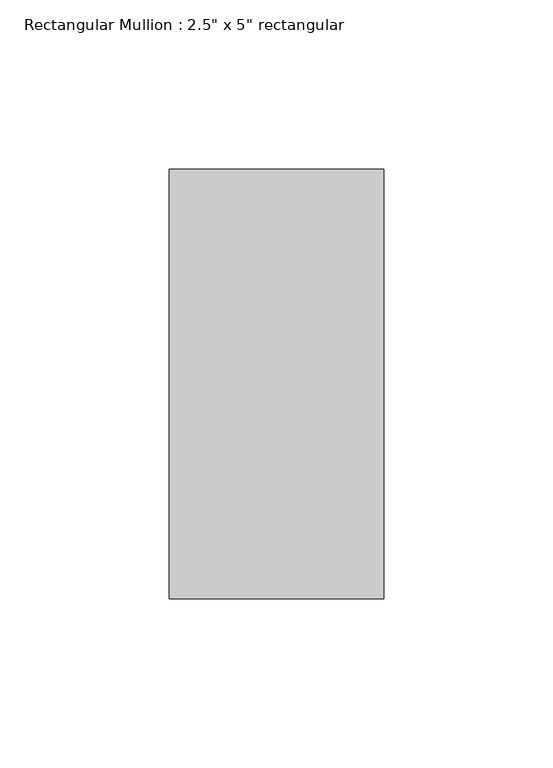
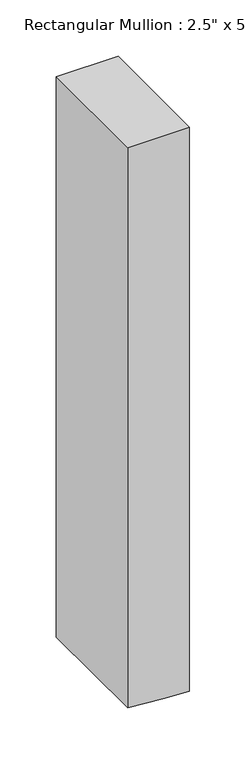
"""IFC4 building model written with IfcOpenShell, lengths in millimetres: member geometry."""

from ifc_helpers import new_model, si_unit, frame, origin, place, context, project, spatial, polyline, outline, extrude, source, transform, mapped, element, save


def member_87eb72d9(model_context):
    return source(origin(), model_context, "Body", "SweptSolid", [
        extrude(outline(polyline([(0.0, 31.75), (0.0, -31.75), (-608.6080469, -31.75), (-610.9793702, 4.1826687), (-612.7991492, 31.75), (0.0, 31.75)])), frame((0.0, -63.5, 0.0), z_axis=(0.0, 1.0, 0.0), x_axis=(0.0, 0.0, 1.0)), (0.0, 0.0, 1.0), 127.0),
    ])


if __name__ == "__main__":
    model = new_model("IFC4")
    model_context = context("Model", 3, world=origin())
    ifc_project = project(units=[si_unit("LENGTHUNIT", "METRE", prefix="MILLI")], contexts=[model_context])
    site = spatial("IfcSite", under=ifc_project)
    building = spatial("IfcBuilding", under=site)
    placement = place(None, origin())
    member_shape = member_87eb72d9(model_context)
    element("IfcMember", 1, ObjectType="Rectangular Mullion : 2.5\" x 5\" rectangular", at=placement, inside=building, context=model_context, shape_type="MappedRepresentation", body=[
        mapped(member_shape, transform((0.0, 0.0, 0.0), x_axis=(1.0, 0.0, 0.0), y_axis=(0.0, 1.0, 0.0), z_axis=(0.0, 0.0, 1.0))),
    ])
    save(model, "model.ifc")
